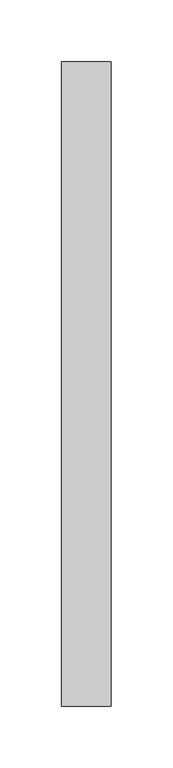
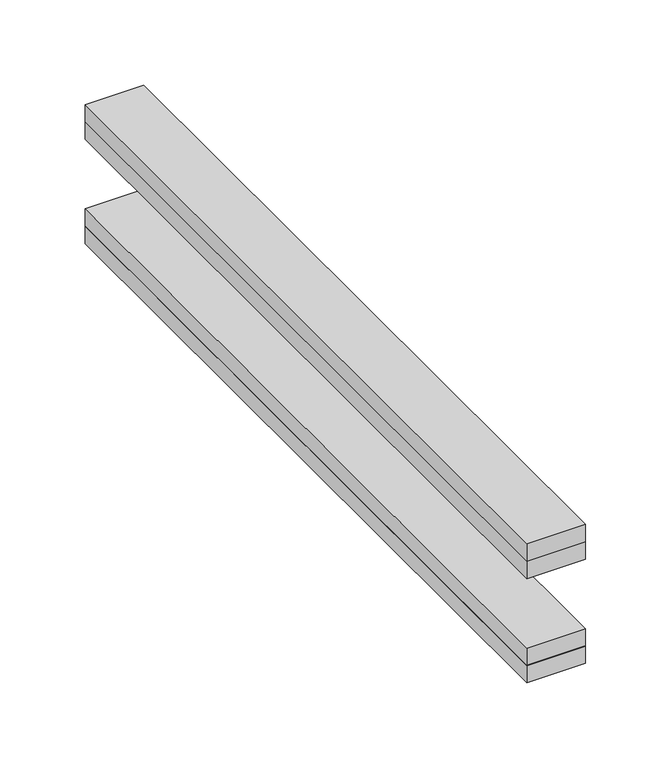
"""IFC4 building model written with IfcOpenShell, lengths in millimetres: proxy geometry."""

from ifc_helpers import new_model, si_unit, frame, origin, place, context, project, spatial, polyline, outline, extrude, source, transform, mapped, element, save


def specialty_equipment_3799482d(model_context):
    return source(origin(), model_context, "Body", "SweptSolid", [
        extrude(outline(polyline([(20.0, 260.0), (20.0, -260.0), (-20.0, -260.0), (-20.0, 260.0), (20.0, 260.0)])), frame((0.0, 0.0, -12.5), z_axis=(0.0, 0.0, 1.0), x_axis=(1.0, 0.0, 0.0)), (0.0, 0.0, 1.0), 12.5),
        extrude(outline(polyline([(20.0, 260.0), (20.0, -260.0), (-20.0, -260.0), (-20.0, 260.0), (20.0, 260.0)])), frame((0.0, 0.0, -25.0), z_axis=(0.0, 0.0, 1.0), x_axis=(1.0, 0.0, 0.0)), (0.0, 0.0, 1.0), 12.5),
        extrude(outline(polyline([(20.0, 260.0), (20.0, -260.0), (-20.0, -260.0), (-20.0, 260.0), (20.0, 260.0)])), frame((0.0, 0.0, -100.0), z_axis=(0.0, 0.0, 1.0), x_axis=(1.0, 0.0, 0.0)), (0.0, 0.0, 1.0), 12.5),
        extrude(outline(polyline([(20.0, 260.0), (20.0, -260.0), (-20.0, -260.0), (-20.0, 260.0), (20.0, 260.0)])), frame((0.0, 0.0, -87.5), z_axis=(0.0, 0.0, 1.0), x_axis=(1.0, 0.0, 0.0)), (0.0, 0.0, 1.0), 12.5),
    ])


if __name__ == "__main__":
    model = new_model("IFC4")
    model_context = context("Model", 3, world=origin())
    ifc_project = project(units=[si_unit("LENGTHUNIT", "METRE", prefix="MILLI")], contexts=[model_context])
    site = spatial("IfcSite", under=ifc_project)
    building = spatial("IfcBuilding", under=site)
    placement = place(None, origin())
    specialty_equipment_shape = specialty_equipment_3799482d(model_context)
    element("IfcBuildingElementProxy", 1, Name="Specialty Equipment", at=placement, inside=building, context=model_context, shape_type="MappedRepresentation", body=[
        mapped(specialty_equipment_shape, transform((0.0, 0.0, 0.0), x_axis=(1.0, 0.0, 0.0), y_axis=(0.0, 1.0, 0.0), z_axis=(0.0, 0.0, 1.0))),
    ])
    save(model, "model.ifc")
